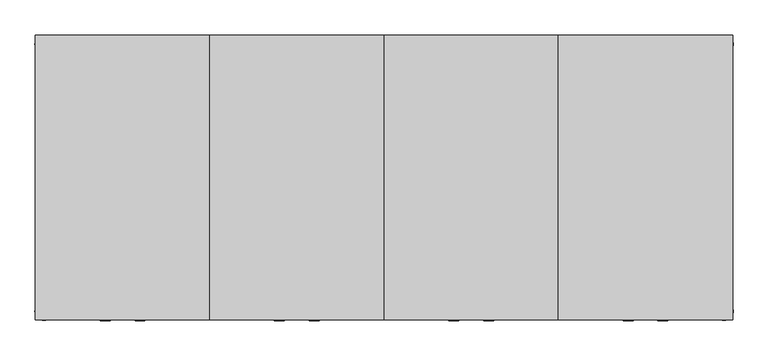
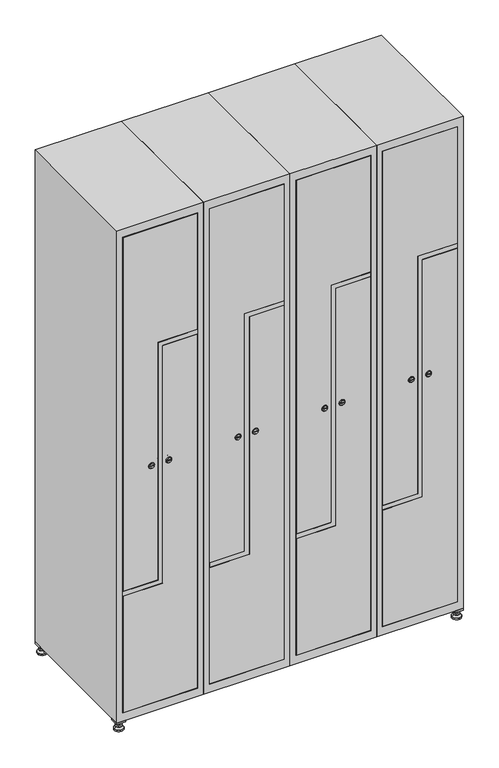
"""IFC4 building model written with IfcOpenShell, lengths in millimetres: furniture geometry."""

from ifc_helpers import new_model, si_unit, point, frame, frame_2d, origin, origin_with_axes, place, context, project, spatial, polyline, circle_curve, trimmed, segment, composite_curve, outline, extrude, faceted_brep, source, transform, mapped, element, save
from ifc_brep_helpers import plane_surface, revolved_surface, advanced_brep


def furniture_bc925662(model_context):
    return source(origin(), model_context, "Body", "SolidModel", [
        extrude(outline(polyline([(1000.0, 245.0), (1000.0, 215.0), (970.0, 215.0), (970.0, 245.0), (1000.0, 245.0)]), holes=[polyline([(998.0, 243.0), (972.0, 243.0), (972.0, 217.0), (998.0, 217.0), (998.0, 243.0)])]), frame((0.0, 0.0, 28.5), z_axis=(0.0, 0.0, 1.0), x_axis=(1.0, 0.0, 0.0)), (0.0, 0.0, 1.0), 6.5),
        extrude(outline(polyline([(970.0, -245.0), (970.0, -215.0), (1000.0, -215.0), (1000.0, -245.0), (970.0, -245.0)]), holes=[polyline([(972.0, -243.0), (998.0, -243.0), (998.0, -217.0), (972.0, -217.0), (972.0, -243.0)])]), frame((0.0, 0.0, 28.5), z_axis=(0.0, 0.0, 1.0), x_axis=(1.0, 0.0, 0.0)), (0.0, 0.0, 1.0), 6.5),
        extrude(outline(polyline([(-170.0, 245.0), (-170.0, 215.0), (-200.0, 215.0), (-200.0, 245.0), (-170.0, 245.0)]), holes=[polyline([(-172.0, 243.0), (-198.0, 243.0), (-198.0, 217.0), (-172.0, 217.0), (-172.0, 243.0)])]), frame((0.0, 0.0, 28.5), z_axis=(0.0, 0.0, 1.0), x_axis=(1.0, 0.0, 0.0)), (0.0, 0.0, 1.0), 6.5),
        extrude(outline(polyline([(-170.0, -215.0), (-170.0, -245.0), (-200.0, -245.0), (-200.0, -215.0), (-170.0, -215.0)]), holes=[polyline([(-198.0, -243.0), (-172.0, -243.0), (-172.0, -217.0), (-198.0, -217.0), (-198.0, -243.0)])]), frame((0.0, 0.0, 28.5), z_axis=(0.0, 0.0, 1.0), x_axis=(1.0, 0.0, 0.0)), (0.0, 0.0, 1.0), 6.5),
        extrude(outline(composite_curve([segment(trimmed(circle_curve(frame_2d((-185.0, 230.0)), 5.0), [point((-180.0, 230.0))], [point((-190.0, 230.0))], False, "CARTESIAN"), True, "CONTINUOUS"), segment(trimmed(circle_curve(frame_2d((-185.0, 230.0)), 5.0), [point((-190.0, 230.0))], [point((-180.0, 230.0))], False, "CARTESIAN"), True, "CONTINUOUS")], self_intersect=False)), frame((0.0, 0.0, 19.6), z_axis=(0.0, 0.0, 1.0), x_axis=(1.0, 0.0, 0.0)), (0.0, 0.0, 1.0), 15.4),
        extrude(outline(composite_curve([segment(trimmed(circle_curve(frame_2d((-185.0, -230.0)), 5.0), [point((-180.0, -230.0))], [point((-190.0, -230.0))], False, "CARTESIAN"), True, "CONTINUOUS"), segment(trimmed(circle_curve(frame_2d((-185.0, -230.0)), 5.0), [point((-190.0, -230.0))], [point((-180.0, -230.0))], False, "CARTESIAN"), True, "CONTINUOUS")], self_intersect=False)), frame((0.0, 0.0, 19.6), z_axis=(0.0, 0.0, 1.0), x_axis=(1.0, 0.0, 0.0)), (0.0, 0.0, 1.0), 15.4),
        extrude(outline(composite_curve([segment(trimmed(circle_curve(frame_2d((985.0, 230.0)), 5.0), [point((990.0, 230.0))], [point((980.0, 230.0))], False, "CARTESIAN"), True, "CONTINUOUS"), segment(trimmed(circle_curve(frame_2d((985.0, 230.0)), 5.0), [point((980.0, 230.0))], [point((990.0, 230.0))], False, "CARTESIAN"), True, "CONTINUOUS")], self_intersect=False)), frame((0.0, 0.0, 19.6), z_axis=(0.0, 0.0, 1.0), x_axis=(1.0, 0.0, 0.0)), (0.0, 0.0, 1.0), 15.4),
        extrude(outline(polyline([(973.4529946, 230.0), (979.2264973, 240.0), (990.7735027, 240.0), (996.5470054, 230.0), (990.7735027, 220.0), (979.2264973, 220.0), (973.4529946, 230.0)])), frame((0.0, 0.0, 13.6), z_axis=(0.0, 0.0, 1.0), x_axis=(1.0, 0.0, 0.0)), (0.0, 0.0, 1.0), 6.0),
        extrude(outline(composite_curve([segment(trimmed(circle_curve(frame_2d((985.0, -230.0)), 5.0), [point((990.0, -230.0))], [point((980.0, -230.0))], False, "CARTESIAN"), True, "CONTINUOUS"), segment(trimmed(circle_curve(frame_2d((985.0, -230.0)), 5.0), [point((980.0, -230.0))], [point((990.0, -230.0))], False, "CARTESIAN"), True, "CONTINUOUS")], self_intersect=False)), frame((0.0, 0.0, 19.6), z_axis=(0.0, 0.0, 1.0), x_axis=(1.0, 0.0, 0.0)), (0.0, 0.0, 1.0), 15.4),
        extrude(outline(polyline([(973.4529946, -230.0), (979.2264973, -220.0), (990.7735027, -220.0), (996.5470054, -230.0), (990.7735027, -240.0), (979.2264973, -240.0), (973.4529946, -230.0)])), frame((0.0, 0.0, 13.6), z_axis=(0.0, 0.0, 1.0), x_axis=(1.0, 0.0, 0.0)), (0.0, 0.0, 1.0), 6.0),
        extrude(outline(composite_curve([segment(trimmed(circle_curve(frame_2d((985.0, 230.0)), 5.0), [point((990.0, 230.0))], [point((980.0, 230.0))], False, "CARTESIAN"), True, "CONTINUOUS"), segment(trimmed(circle_curve(frame_2d((985.0, 230.0)), 5.0), [point((980.0, 230.0))], [point((990.0, 230.0))], False, "CARTESIAN"), True, "CONTINUOUS")], self_intersect=False)), frame((0.0, 0.0, 12.1), z_axis=(0.0, 0.0, 1.0), x_axis=(1.0, 0.0, 0.0)), (0.0, 0.0, 1.0), 1.5),
        extrude(outline(composite_curve([segment(trimmed(circle_curve(frame_2d((985.0, -230.0)), 5.0), [point((990.0, -230.0))], [point((980.0, -230.0))], False, "CARTESIAN"), True, "CONTINUOUS"), segment(trimmed(circle_curve(frame_2d((985.0, -230.0)), 5.0), [point((980.0, -230.0))], [point((990.0, -230.0))], False, "CARTESIAN"), True, "CONTINUOUS")], self_intersect=False)), frame((0.0, 0.0, 12.1), z_axis=(0.0, 0.0, 1.0), x_axis=(1.0, 0.0, 0.0)), (0.0, 0.0, 1.0), 1.5),
        extrude(outline(polyline([(-196.5470054, 230.0), (-190.7735027, 240.0), (-179.2264973, 240.0), (-173.4529946, 230.0), (-179.2264973, 220.0), (-190.7735027, 220.0), (-196.5470054, 230.0)])), frame((0.0, 0.0, 13.6), z_axis=(0.0, 0.0, 1.0), x_axis=(1.0, 0.0, 0.0)), (0.0, 0.0, 1.0), 6.0),
        extrude(outline(polyline([(-196.5470054, -230.0), (-190.7735027, -220.0), (-179.2264973, -220.0), (-173.4529946, -230.0), (-179.2264973, -240.0), (-190.7735027, -240.0), (-196.5470054, -230.0)])), frame((0.0, 0.0, 13.6), z_axis=(0.0, 0.0, 1.0), x_axis=(1.0, 0.0, 0.0)), (0.0, 0.0, 1.0), 6.0),
        extrude(outline(composite_curve([segment(trimmed(circle_curve(frame_2d((-185.0, 230.0)), 5.0), [point((-185.0, 235.0))], [point((-185.0, 225.0))], False, "CARTESIAN"), True, "CONTINUOUS"), segment(trimmed(circle_curve(frame_2d((-185.0, 230.0)), 5.0), [point((-185.0, 225.0))], [point((-185.0, 235.0))], False, "CARTESIAN"), True, "CONTINUOUS")], self_intersect=False)), frame((0.0, 0.0, 12.1), z_axis=(0.0, 0.0, 1.0), x_axis=(1.0, 0.0, 0.0)), (0.0, 0.0, 1.0), 1.5),
        extrude(outline(composite_curve([segment(trimmed(circle_curve(frame_2d((-185.0, -230.0)), 5.0), [point((-180.0, -230.0))], [point((-190.0, -230.0))], False, "CARTESIAN"), True, "CONTINUOUS"), segment(trimmed(circle_curve(frame_2d((-185.0, -230.0)), 5.0), [point((-190.0, -230.0))], [point((-180.0, -230.0))], False, "CARTESIAN"), True, "CONTINUOUS")], self_intersect=False)), frame((0.0, 0.0, 12.1), z_axis=(0.0, 0.0, 1.0), x_axis=(1.0, 0.0, 0.0)), (0.0, 0.0, 1.0), 1.5),
        extrude(outline(composite_curve([segment(trimmed(circle_curve(frame_2d((985.0, 230.0)), 15.75), [point((1000.75, 230.0))], [point((969.25, 230.0))], False, "CARTESIAN"), True, "CONTINUOUS"), segment(trimmed(circle_curve(frame_2d((985.0, 230.0)), 15.75), [point((969.25, 230.0))], [point((1000.75, 230.0))], False, "CARTESIAN"), True, "CONTINUOUS")], self_intersect=False)), origin_with_axes(), (0.0, 0.0, 1.0), 5.1),
        extrude(outline(composite_curve([segment(trimmed(circle_curve(frame_2d((985.0, -230.0)), 15.75), [point((985.0, -214.25))], [point((985.0, -245.75))], False, "CARTESIAN"), True, "CONTINUOUS"), segment(trimmed(circle_curve(frame_2d((985.0, -230.0)), 15.75), [point((985.0, -245.75))], [point((985.0, -214.25))], False, "CARTESIAN"), True, "CONTINUOUS")], self_intersect=False)), origin_with_axes(), (0.0, 0.0, 1.0), 5.1),
        extrude(outline(composite_curve([segment(trimmed(circle_curve(frame_2d((-185.0, -230.0)), 15.75), [point((-169.25, -230.0))], [point((-200.75, -230.0))], False, "CARTESIAN"), True, "CONTINUOUS"), segment(trimmed(circle_curve(frame_2d((-185.0, -230.0)), 15.75), [point((-200.75, -230.0))], [point((-169.25, -230.0))], False, "CARTESIAN"), True, "CONTINUOUS")], self_intersect=False)), origin_with_axes(), (0.0, 0.0, 1.0), 5.1),
        extrude(outline(composite_curve([segment(trimmed(circle_curve(frame_2d((-185.0, 230.0)), 15.75), [point((-169.25, 230.0))], [point((-200.75, 230.0))], False, "CARTESIAN"), True, "CONTINUOUS"), segment(trimmed(circle_curve(frame_2d((-185.0, 230.0)), 15.75), [point((-200.75, 230.0))], [point((-169.25, 230.0))], False, "CARTESIAN"), True, "CONTINUOUS")], self_intersect=False)), origin_with_axes(), (0.0, 0.0, 1.0), 5.1),
        advanced_brep(
        [(-185.0, 245.75, 5.1), (-185.0, 214.25, 5.1), (-185.0, 239.5, 12.1), (-185.0, 220.5, 12.1)],
        [
            (0, 1, circle_curve(frame((-185.0, 230.0, 5.1), z_axis=(0.0, 0.0, -1.0), x_axis=(0.0, 1.0, 0.0)), 15.75)),
            (1, 0, circle_curve(frame((-185.0, 230.0, 5.1), z_axis=(0.0, 0.0, -1.0), x_axis=(0.0, -1.0, 0.0)), 15.75)),
            (2, 3, circle_curve(frame((-185.0, 230.0, 12.1), z_axis=(0.0, 0.0, 1.0), x_axis=(0.0, -1.0, 0.0)), 9.5)),
            (3, 2, circle_curve(frame((-185.0, 230.0, 12.1), z_axis=(0.0, 0.0, 1.0), x_axis=(0.0, 1.0, 0.0)), 9.5)),
            (3, 1),
            (0, 2),
        ],
        [
            plane_surface(frame((-185.0, 230.0, 5.1), z_axis=(0.0, 0.0, -1.0), x_axis=(1.0, 0.0, 0.0))),
            plane_surface(frame((-185.0, 230.0, 12.1), z_axis=(0.0, 0.0, 1.0), x_axis=(1.0, 0.0, 0.0))),
            revolved_surface(polyline([(-185.0, 220.5, 12.099999999999998), (-185.0, 214.25, 5.099999999999998)]), (-185.0, 230.0, 22.74), (0.0, 0.0, -1.0)),
            revolved_surface(polyline([(-185.0, 239.5, 12.099999999999998), (-185.0, 245.75, 5.099999999999998)]), (-185.0, 230.0, 22.74), (0.0, 0.0, -1.0)),
        ],
        [
            (0, [[1, 2]]),
            (1, [[3, 4]]),
            (2, [[-4, 5, -1, 6]]),
            (3, [[-3, -6, -2, -5]]),
        ],
    ),
        advanced_brep(
        [(985.0, 245.75, 5.1), (985.0, 214.25, 5.1), (985.0, 239.5, 12.1), (985.0, 220.5, 12.1)],
        [
            (0, 1, circle_curve(frame((985.0, 230.0, 5.1), z_axis=(0.0, 0.0, -1.0), x_axis=(0.0, 1.0, 0.0)), 15.75)),
            (1, 0, circle_curve(frame((985.0, 230.0, 5.1), z_axis=(0.0, 0.0, -1.0), x_axis=(0.0, -1.0, 0.0)), 15.75)),
            (2, 3, circle_curve(frame((985.0, 230.0, 12.1), z_axis=(0.0, 0.0, 1.0), x_axis=(0.0, -1.0, 0.0)), 9.5)),
            (3, 2, circle_curve(frame((985.0, 230.0, 12.1), z_axis=(0.0, 0.0, 1.0), x_axis=(0.0, 1.0, 0.0)), 9.5)),
            (3, 1),
            (0, 2),
        ],
        [
            plane_surface(frame((985.0, 230.0, 5.1), z_axis=(0.0, 0.0, -1.0), x_axis=(1.0, 0.0, 0.0))),
            plane_surface(frame((985.0, 230.0, 12.1), z_axis=(0.0, 0.0, 1.0), x_axis=(1.0, 0.0, 0.0))),
            revolved_surface(polyline([(985.0, 220.5, 12.099999999999998), (985.0, 214.25, 5.099999999999998)]), (985.0, 230.0, 22.74), (0.0, 0.0, -1.0)),
            revolved_surface(polyline([(985.0, 239.5, 12.099999999999998), (985.0, 245.75, 5.099999999999998)]), (985.0, 230.0, 22.74), (0.0, 0.0, -1.0)),
        ],
        [
            (0, [[1, 2]]),
            (1, [[3, 4]]),
            (2, [[-4, 5, -1, 6]]),
            (3, [[-3, -6, -2, -5]]),
        ],
    ),
        advanced_brep(
        [(994.5, -230.0, 12.1), (975.5, -230.0, 12.1), (1000.75, -230.0, 5.1), (969.25, -230.0, 5.1)],
        [
            (0, 1, circle_curve(frame((985.0, -230.0, 12.1), z_axis=(0.0, 0.0, 1.0), x_axis=(1.0, 0.0, 0.0)), 9.5)),
            (1, 0, circle_curve(frame((985.0, -230.0, 12.1), z_axis=(0.0, 0.0, 1.0), x_axis=(-1.0, 0.0, 0.0)), 9.5)),
            (2, 3, circle_curve(frame((985.0, -230.0, 5.1), z_axis=(0.0, 0.0, -1.0), x_axis=(-1.0, 0.0, 0.0)), 15.75)),
            (3, 2, circle_curve(frame((985.0, -230.0, 5.1), z_axis=(0.0, 0.0, -1.0), x_axis=(1.0, 0.0, 0.0)), 15.75)),
            (3, 1),
            (0, 2),
        ],
        [
            plane_surface(frame((985.0, -230.0, 12.1), z_axis=(0.0, 0.0, 1.0), x_axis=(0.0, 1.0, 0.0))),
            plane_surface(frame((985.0, -230.0, 5.1), z_axis=(0.0, 0.0, -1.0), x_axis=(0.0, 1.0, 0.0))),
            revolved_surface(polyline([(994.5, -230.0, 12.099999999999998), (1000.75, -230.0, 5.099999999999998)]), (985.0, -230.0, 22.74), (0.0, 0.0, -1.0)),
            revolved_surface(polyline([(975.5, -230.0, 12.099999999999998), (969.25, -230.0, 5.099999999999998)]), (985.0, -230.0, 22.74), (0.0, 0.0, -1.0)),
        ],
        [
            (0, [[1, 2]]),
            (1, [[3, 4]]),
            (2, [[-4, 5, -1, 6]]),
            (3, [[-3, -6, -2, -5]]),
        ],
    ),
        advanced_brep(
        [(-175.5, -230.0, 12.1), (-194.5, -230.0, 12.1), (-169.25, -230.0, 5.1), (-200.75, -230.0, 5.1)],
        [
            (0, 1, circle_curve(frame((-185.0, -230.0, 12.1), z_axis=(0.0, 0.0, 1.0), x_axis=(1.0, 0.0, 0.0)), 9.5)),
            (1, 0, circle_curve(frame((-185.0, -230.0, 12.1), z_axis=(0.0, 0.0, 1.0), x_axis=(-1.0, 0.0, 0.0)), 9.5)),
            (2, 3, circle_curve(frame((-185.0, -230.0, 5.1), z_axis=(0.0, 0.0, -1.0), x_axis=(-1.0, 0.0, 0.0)), 15.75)),
            (3, 2, circle_curve(frame((-185.0, -230.0, 5.1), z_axis=(0.0, 0.0, -1.0), x_axis=(1.0, 0.0, 0.0)), 15.75)),
            (3, 1),
            (0, 2),
        ],
        [
            plane_surface(frame((-185.0, -230.0, 12.1), z_axis=(0.0, 0.0, 1.0), x_axis=(0.0, 1.0, 0.0))),
            plane_surface(frame((-185.0, -230.0, 5.1), z_axis=(0.0, 0.0, -1.0), x_axis=(0.0, 1.0, 0.0))),
            revolved_surface(polyline([(-175.5, -230.0, 12.099999999999998), (-169.25, -230.0, 5.099999999999998)]), (-185.0, -230.0, 22.74), (0.0, 0.0, -1.0)),
            revolved_surface(polyline([(-194.5, -230.0, 12.099999999999998), (-200.75, -230.0, 5.099999999999998)]), (-185.0, -230.0, 22.74), (0.0, 0.0, -1.0)),
        ],
        [
            (0, [[1, 2]]),
            (1, [[3, 4]]),
            (2, [[-4, 5, -1, 6]]),
            (3, [[-3, -6, -2, -5]]),
        ],
    ),
        extrude(outline(composite_curve([segment(trimmed(circle_curve(frame_2d((935.0, 846.7989466)), 7.0), [point((928.0, 846.7989466))], [point((942.0, 846.7989466))], False, "CARTESIAN"), True, "CONTINUOUS"), segment(polyline([(942.0, 846.7989466), (942.0, 818.7989466)]), True, "CONTINUOUS"), segment(trimmed(circle_curve(frame_2d((935.0, 818.7989466)), 7.0), [point((942.0, 818.7989466))], [point((928.0, 818.7989466))], False, "CARTESIAN"), True, "CONTINUOUS"), segment(polyline([(928.0, 818.7989466), (928.0, 846.7989466)]), True, "CONTINUOUS")], self_intersect=False)), frame((0.0, -227.0, 0.0), z_axis=(0.0, 1.0, 0.0), x_axis=(0.0, 0.0, 1.0)), (0.0, 0.0, 1.0), 2.0),
        advanced_brep(
        [(811.5, -247.2, 935.0), (828.5, -247.2, 935.0), (825.0, -247.2, 936.25), (825.0, -247.2, 933.75), (815.0, -247.2, 933.75), (815.0, -247.2, 936.25), (809.5, -245.0, 935.0), (830.5, -245.0, 935.0), (825.0, -245.0, 933.75), (825.0, -245.0, 936.25), (815.0, -245.0, 936.25), (815.0, -245.0, 933.75)],
        [
            (0, 1, circle_curve(frame((820.0, -247.2, 935.0), z_axis=(0.0, -1.0, 0.0), x_axis=(-1.0, 0.0, 0.0)), 8.5)),
            (1, 0, circle_curve(frame((820.0, -247.2, 935.0), z_axis=(0.0, -1.0, 0.0), x_axis=(1.0, 0.0, 0.0)), 8.5)),
            (2, 3),
            (3, 4),
            (4, 5),
            (5, 2),
            (6, 7, circle_curve(frame((820.0, -245.0, 935.0), z_axis=(0.0, 1.0, 0.0), x_axis=(1.0, 0.0, 0.0)), 10.5)),
            (7, 6, circle_curve(frame((820.0, -245.0, 935.0), z_axis=(0.0, 1.0, 0.0), x_axis=(-1.0, 0.0, 0.0)), 10.5)),
            (8, 9),
            (9, 10),
            (10, 11),
            (11, 8),
            (0, 6),
            (7, 1),
            (8, 3),
            (2, 9),
            (11, 4),
            (10, 5),
        ],
        [
            plane_surface(frame((820.0, -247.2, 935.0), z_axis=(0.0, -1.0, 0.0), x_axis=(0.0, 0.0, -1.0))),
            plane_surface(frame((820.0, -245.0, 935.0), z_axis=(0.0, 1.0, 0.0), x_axis=(0.0, 0.0, -1.0))),
            revolved_surface(polyline([(811.5, -247.2, 935.0), (809.5, -245.0, 935.0)]), (820.0, -256.55, 935.0), (0.0, 1.0, 0.0)),
            revolved_surface(polyline([(828.5, -247.2, 935.0), (830.5, -245.0, 935.0)]), (820.0, -256.55, 935.0), (0.0, 1.0, 0.0)),
            plane_surface(frame((825.0, -245.0, 936.25), z_axis=(-1.0, 0.0, 0.0), x_axis=(0.0, -1.0, 0.0))),
            plane_surface(frame((825.0, -245.0, 933.75), z_axis=(0.0, 0.0, 1.0), x_axis=(0.0, -1.0, 0.0))),
            plane_surface(frame((815.0, -245.0, 933.75), z_axis=(1.0, 0.0, 0.0), x_axis=(0.0, -1.0, 0.0))),
            plane_surface(frame((815.0, -245.0, 936.25), z_axis=(0.0, 0.0, -1.0), x_axis=(0.0, -1.0, 0.0))),
        ],
        [
            (0, [[1, 2], [3, 4, 5, 6]]),
            (1, [[7, 8], [9, 10, 11, 12]]),
            (2, [[-1, 13, -8, 14]]),
            (3, [[-2, -14, -7, -13]]),
            (4, [[15, -3, 16, -9]]),
            (5, [[-15, -12, 17, -4]]),
            (6, [[-17, -11, 18, -5]]),
            (7, [[-16, -6, -18, -10]]),
        ],
    ),
        extrude(outline(polyline([(1803.8, 721.4), (509.6, 721.4), (509.6, 841.0), (1378.4, 841.0), (1378.4, 978.6), (1803.8, 978.6), (1803.8, 721.4)])), frame((0.0, -245.0, 0.0), z_axis=(0.0, 1.0, 0.0), x_axis=(0.0, 0.0, 1.0)), (0.0, 0.0, 1.0), 18.0),
        extrude(outline(composite_curve([segment(trimmed(circle_curve(frame_2d((935.0, 853.2010534)), 7.0), [point((942.0, 853.2010534))], [point((928.0, 853.2010534))], False, "CARTESIAN"), True, "CONTINUOUS"), segment(polyline([(928.0, 853.2010534), (928.0, 881.2010534)]), True, "CONTINUOUS"), segment(trimmed(circle_curve(frame_2d((935.0, 881.2010534)), 7.0), [point((928.0, 881.2010534))], [point((942.0, 881.2010534))], False, "CARTESIAN"), True, "CONTINUOUS"), segment(polyline([(942.0, 881.2010534), (942.0, 853.2010534)]), True, "CONTINUOUS")], self_intersect=False)), frame((0.0, -227.0, 0.0), z_axis=(0.0, 1.0, 0.0), x_axis=(0.0, 0.0, 1.0)), (0.0, 0.0, 1.0), 2.0),
        advanced_brep(
        [(888.5, -247.2, 935.0), (871.5, -247.2, 935.0), (875.0, -247.2, 933.75), (875.0, -247.2, 936.25), (885.0, -247.2, 936.25), (885.0, -247.2, 933.75), (890.5, -245.0, 935.0), (869.5, -245.0, 935.0), (875.0, -245.0, 936.25), (875.0, -245.0, 933.75), (885.0, -245.0, 933.75), (885.0, -245.0, 936.25)],
        [
            (0, 1, circle_curve(frame((880.0, -247.2, 935.0), z_axis=(0.0, -1.0, 0.0), x_axis=(1.0, 0.0, 0.0)), 8.5)),
            (1, 0, circle_curve(frame((880.0, -247.2, 935.0), z_axis=(0.0, -1.0, 0.0), x_axis=(-1.0, 0.0, 0.0)), 8.5)),
            (2, 3),
            (3, 4),
            (4, 5),
            (5, 2),
            (6, 7, circle_curve(frame((880.0, -245.0, 935.0), z_axis=(0.0, 1.0, 0.0), x_axis=(-1.0, 0.0, 0.0)), 10.5)),
            (7, 6, circle_curve(frame((880.0, -245.0, 935.0), z_axis=(0.0, 1.0, 0.0), x_axis=(1.0, 0.0, 0.0)), 10.5)),
            (8, 9),
            (9, 10),
            (10, 11),
            (11, 8),
            (0, 6),
            (7, 1),
            (8, 3),
            (2, 9),
            (11, 4),
            (10, 5),
        ],
        [
            plane_surface(frame((880.0, -247.2, 935.0), z_axis=(0.0, -1.0, 0.0), x_axis=(0.0, 0.0, 1.0))),
            plane_surface(frame((880.0, -245.0, 935.0), z_axis=(0.0, 1.0, 0.0), x_axis=(0.0, 0.0, 1.0))),
            revolved_surface(polyline([(888.5, -247.2, 935.0), (890.5, -245.0, 935.0)]), (880.0, -256.55, 935.0), (0.0, 1.0, 0.0)),
            revolved_surface(polyline([(871.5, -247.2, 935.0), (869.5, -245.0, 935.0)]), (880.0, -256.55, 935.0), (0.0, 1.0, 0.0)),
            plane_surface(frame((875.0, -245.0, 933.75), z_axis=(1.0, 0.0, 0.0), x_axis=(0.0, -1.0, 0.0))),
            plane_surface(frame((875.0, -245.0, 936.25), z_axis=(0.0, 0.0, -1.0), x_axis=(0.0, -1.0, 0.0))),
            plane_surface(frame((885.0, -245.0, 936.25), z_axis=(-1.0, 0.0, 0.0), x_axis=(0.0, -1.0, 0.0))),
            plane_surface(frame((885.0, -245.0, 933.75), z_axis=(0.0, 0.0, 1.0), x_axis=(0.0, -1.0, 0.0))),
        ],
        [
            (0, [[1, 2], [3, 4, 5, 6]]),
            (1, [[7, 8], [9, 10, 11, 12]]),
            (2, [[-1, 13, -8, 14]]),
            (3, [[-2, -14, -7, -13]]),
            (4, [[15, -3, 16, -9]]),
            (5, [[-15, -12, 17, -4]]),
            (6, [[-17, -11, 18, -5]]),
            (7, [[-16, -6, -18, -10]]),
        ],
    ),
        extrude(outline(polyline([(66.2, 978.6), (1360.4, 978.6), (1360.4, 859.0), (491.6, 859.0), (491.6, 721.4), (66.2, 721.4), (66.2, 978.6)])), frame((0.0, -245.0, 0.0), z_axis=(0.0, 1.0, 0.0), x_axis=(0.0, 0.0, 1.0)), (0.0, 0.0, 1.0), 18.0),
        extrude(outline(polyline([(1361.4, 979.6), (1377.4, 979.6), (1377.4, 842.0), (508.6, 842.0), (508.6, 720.4), (492.6, 720.4), (492.6, 858.0), (1361.4, 858.0), (1361.4, 979.6)])), frame((0.0, -245.0, 0.0), z_axis=(0.0, 1.0, 0.0), x_axis=(0.0, 0.0, 1.0)), (0.0, 0.0, 1.0), 487.0),
        faceted_brep([(1000.0, -245.0, 35.0), (1000.0, -245.0, 1835.0), (700.0, -245.0, 1835.0), (700.0, -245.0, 35.0), (979.6, -245.0, 1804.8), (979.6, -245.0, 65.2), (720.4, -245.0, 65.2), (720.4, -245.0, 1804.8), (1000.0, 245.0, 35.0), (700.0, 245.0, 35.0), (1000.0, 245.0, 1835.0), (700.0, 245.0, 1835.0), (979.6, 242.0, 1804.8), (979.6, 242.0, 65.2), (700.0, 245.0, 1804.8), (720.4, 242.0, 1804.8), (720.4, 242.0, 65.2)], [[[0, 1, 2, 3], [4, 5, 6, 7]], [[8, 0, 3, 9]], [[1, 0, 8, 10]], [[1, 10, 11, 2]], [[4, 12, 13, 5]], [[9, 3, 2, 11, 14]], [[10, 8, 9, 14, 11]], [[12, 15, 16, 13]], [[15, 7, 6, 16]], [[4, 7, 15, 12]], [[6, 5, 13, 16]]]),
        extrude(outline(composite_curve([segment(trimmed(circle_curve(frame_2d((935.0, 546.7989466)), 7.0), [point((928.0, 546.7989466))], [point((942.0, 546.7989466))], False, "CARTESIAN"), True, "CONTINUOUS"), segment(polyline([(942.0, 546.7989466), (942.0, 518.7989466)]), True, "CONTINUOUS"), segment(trimmed(circle_curve(frame_2d((935.0, 518.7989466)), 7.0), [point((942.0, 518.7989466))], [point((928.0, 518.7989466))], False, "CARTESIAN"), True, "CONTINUOUS"), segment(polyline([(928.0, 518.7989466), (928.0, 546.7989466)]), True, "CONTINUOUS")], self_intersect=False)), frame((0.0, -227.0, 0.0), z_axis=(0.0, 1.0, 0.0), x_axis=(0.0, 0.0, 1.0)), (0.0, 0.0, 1.0), 2.0),
        advanced_brep(
        [(511.5, -247.2, 935.0), (528.5, -247.2, 935.0), (525.0, -247.2, 936.25), (525.0, -247.2, 933.75), (515.0, -247.2, 933.75), (515.0, -247.2, 936.25), (509.5, -245.0, 935.0), (530.5, -245.0, 935.0), (525.0, -245.0, 933.75), (525.0, -245.0, 936.25), (515.0, -245.0, 936.25), (515.0, -245.0, 933.75)],
        [
            (0, 1, circle_curve(frame((520.0, -247.2, 935.0), z_axis=(0.0, -1.0, 0.0), x_axis=(-1.0, 0.0, 0.0)), 8.5)),
            (1, 0, circle_curve(frame((520.0, -247.2, 935.0), z_axis=(0.0, -1.0, 0.0), x_axis=(1.0, 0.0, 0.0)), 8.5)),
            (2, 3),
            (3, 4),
            (4, 5),
            (5, 2),
            (6, 7, circle_curve(frame((520.0, -245.0, 935.0), z_axis=(0.0, 1.0, 0.0), x_axis=(1.0, 0.0, 0.0)), 10.5)),
            (7, 6, circle_curve(frame((520.0, -245.0, 935.0), z_axis=(0.0, 1.0, 0.0), x_axis=(-1.0, 0.0, 0.0)), 10.5)),
            (8, 9),
            (9, 10),
            (10, 11),
            (11, 8),
            (0, 6),
            (7, 1),
            (8, 3),
            (2, 9),
            (11, 4),
            (10, 5),
        ],
        [
            plane_surface(frame((520.0, -247.2, 935.0), z_axis=(0.0, -1.0, 0.0), x_axis=(0.0, 0.0, -1.0))),
            plane_surface(frame((520.0, -245.0, 935.0), z_axis=(0.0, 1.0, 0.0), x_axis=(0.0, 0.0, -1.0))),
            revolved_surface(polyline([(511.5, -247.2, 935.0), (509.5, -245.0, 935.0)]), (520.0, -256.55, 935.0), (0.0, 1.0, 0.0)),
            revolved_surface(polyline([(528.5, -247.2, 935.0), (530.5, -245.0, 935.0)]), (520.0, -256.55, 935.0), (0.0, 1.0, 0.0)),
            plane_surface(frame((525.0, -245.0, 936.25), z_axis=(-1.0, 0.0, 0.0), x_axis=(0.0, -1.0, 0.0))),
            plane_surface(frame((525.0, -245.0, 933.75), z_axis=(0.0, 0.0, 1.0), x_axis=(0.0, -1.0, 0.0))),
            plane_surface(frame((515.0, -245.0, 933.75), z_axis=(1.0, 0.0, 0.0), x_axis=(0.0, -1.0, 0.0))),
            plane_surface(frame((515.0, -245.0, 936.25), z_axis=(0.0, 0.0, -1.0), x_axis=(0.0, -1.0, 0.0))),
        ],
        [
            (0, [[1, 2], [3, 4, 5, 6]]),
            (1, [[7, 8], [9, 10, 11, 12]]),
            (2, [[-1, 13, -8, 14]]),
            (3, [[-2, -14, -7, -13]]),
            (4, [[15, -3, 16, -9]]),
            (5, [[-15, -12, 17, -4]]),
            (6, [[-17, -11, 18, -5]]),
            (7, [[-16, -6, -18, -10]]),
        ],
    ),
        extrude(outline(polyline([(1803.8, 421.4), (509.6, 421.4), (509.6, 541.0), (1378.4, 541.0), (1378.4, 678.6), (1803.8, 678.6), (1803.8, 421.4)])), frame((0.0, -245.0, 0.0), z_axis=(0.0, 1.0, 0.0), x_axis=(0.0, 0.0, 1.0)), (0.0, 0.0, 1.0), 18.0),
        extrude(outline(composite_curve([segment(trimmed(circle_curve(frame_2d((935.0, 553.2010534)), 7.0), [point((942.0, 553.2010534))], [point((928.0, 553.2010534))], False, "CARTESIAN"), True, "CONTINUOUS"), segment(polyline([(928.0, 553.2010534), (928.0, 581.2010534)]), True, "CONTINUOUS"), segment(trimmed(circle_curve(frame_2d((935.0, 581.2010534)), 7.0), [point((928.0, 581.2010534))], [point((942.0, 581.2010534))], False, "CARTESIAN"), True, "CONTINUOUS"), segment(polyline([(942.0, 581.2010534), (942.0, 553.2010534)]), True, "CONTINUOUS")], self_intersect=False)), frame((0.0, -227.0, 0.0), z_axis=(0.0, 1.0, 0.0), x_axis=(0.0, 0.0, 1.0)), (0.0, 0.0, 1.0), 2.0),
        advanced_brep(
        [(588.5, -247.2, 935.0), (571.5, -247.2, 935.0), (575.0, -247.2, 933.75), (575.0, -247.2, 936.25), (585.0, -247.2, 936.25), (585.0, -247.2, 933.75), (590.5, -245.0, 935.0), (569.5, -245.0, 935.0), (575.0, -245.0, 936.25), (575.0, -245.0, 933.75), (585.0, -245.0, 933.75), (585.0, -245.0, 936.25)],
        [
            (0, 1, circle_curve(frame((580.0, -247.2, 935.0), z_axis=(0.0, -1.0, 0.0), x_axis=(1.0, 0.0, 0.0)), 8.5)),
            (1, 0, circle_curve(frame((580.0, -247.2, 935.0), z_axis=(0.0, -1.0, 0.0), x_axis=(-1.0, 0.0, 0.0)), 8.5)),
            (2, 3),
            (3, 4),
            (4, 5),
            (5, 2),
            (6, 7, circle_curve(frame((580.0, -245.0, 935.0), z_axis=(0.0, 1.0, 0.0), x_axis=(-1.0, 0.0, 0.0)), 10.5)),
            (7, 6, circle_curve(frame((580.0, -245.0, 935.0), z_axis=(0.0, 1.0, 0.0), x_axis=(1.0, 0.0, 0.0)), 10.5)),
            (8, 9),
            (9, 10),
            (10, 11),
            (11, 8),
            (0, 6),
            (7, 1),
            (8, 3),
            (2, 9),
            (11, 4),
            (10, 5),
        ],
        [
            plane_surface(frame((580.0, -247.2, 935.0), z_axis=(0.0, -1.0, 0.0), x_axis=(0.0, 0.0, 1.0))),
            plane_surface(frame((580.0, -245.0, 935.0), z_axis=(0.0, 1.0, 0.0), x_axis=(0.0, 0.0, 1.0))),
            revolved_surface(polyline([(588.5, -247.2, 935.0), (590.5, -245.0, 935.0)]), (580.0, -256.55, 935.0), (0.0, 1.0, 0.0)),
            revolved_surface(polyline([(571.5, -247.2, 935.0), (569.5, -245.0, 935.0)]), (580.0, -256.55, 935.0), (0.0, 1.0, 0.0)),
            plane_surface(frame((575.0, -245.0, 933.75), z_axis=(1.0, 0.0, 0.0), x_axis=(0.0, -1.0, 0.0))),
            plane_surface(frame((575.0, -245.0, 936.25), z_axis=(0.0, 0.0, -1.0), x_axis=(0.0, -1.0, 0.0))),
            plane_surface(frame((585.0, -245.0, 936.25), z_axis=(-1.0, 0.0, 0.0), x_axis=(0.0, -1.0, 0.0))),
            plane_surface(frame((585.0, -245.0, 933.75), z_axis=(0.0, 0.0, 1.0), x_axis=(0.0, -1.0, 0.0))),
        ],
        [
            (0, [[1, 2], [3, 4, 5, 6]]),
            (1, [[7, 8], [9, 10, 11, 12]]),
            (2, [[-1, 13, -8, 14]]),
            (3, [[-2, -14, -7, -13]]),
            (4, [[15, -3, 16, -9]]),
            (5, [[-15, -12, 17, -4]]),
            (6, [[-17, -11, 18, -5]]),
            (7, [[-16, -6, -18, -10]]),
        ],
    ),
        extrude(outline(polyline([(66.2, 678.6), (1360.4, 678.6), (1360.4, 559.0), (491.6, 559.0), (491.6, 421.4), (66.2, 421.4), (66.2, 678.6)])), frame((0.0, -245.0, 0.0), z_axis=(0.0, 1.0, 0.0), x_axis=(0.0, 0.0, 1.0)), (0.0, 0.0, 1.0), 18.0),
        extrude(outline(polyline([(1361.4, 679.6), (1377.4, 679.6), (1377.4, 542.0), (508.6, 542.0), (508.6, 420.4), (492.6, 420.4), (492.6, 558.0), (1361.4, 558.0), (1361.4, 679.6)])), frame((0.0, -245.0, 0.0), z_axis=(0.0, 1.0, 0.0), x_axis=(0.0, 0.0, 1.0)), (0.0, 0.0, 1.0), 487.0),
        faceted_brep([(700.0, -245.0, 35.0), (700.0, -245.0, 1835.0), (400.0, -245.0, 1835.0), (400.0, -245.0, 35.0), (679.6, -245.0, 1804.8), (679.6, -245.0, 65.2), (420.4, -245.0, 65.2), (420.4, -245.0, 1804.8), (700.0, 245.0, 35.0), (400.0, 245.0, 35.0), (700.0, 245.0, 1835.0), (400.0, 245.0, 1835.0), (679.6, 242.0, 1804.8), (679.6, 242.0, 65.2), (400.0, 245.0, 1804.8), (420.4, 242.0, 1804.8), (420.4, 242.0, 65.2)], [[[0, 1, 2, 3], [4, 5, 6, 7]], [[8, 0, 3, 9]], [[1, 0, 8, 10]], [[1, 10, 11, 2]], [[4, 12, 13, 5]], [[9, 3, 2, 11, 14]], [[10, 8, 9, 14, 11]], [[12, 15, 16, 13]], [[15, 7, 6, 16]], [[4, 7, 15, 12]], [[6, 5, 13, 16]]]),
        extrude(outline(composite_curve([segment(trimmed(circle_curve(frame_2d((935.0, 246.7989466)), 7.0), [point((928.0, 246.7989466))], [point((942.0, 246.7989466))], False, "CARTESIAN"), True, "CONTINUOUS"), segment(polyline([(942.0, 246.7989466), (942.0, 218.7989466)]), True, "CONTINUOUS"), segment(trimmed(circle_curve(frame_2d((935.0, 218.7989466)), 7.0), [point((942.0, 218.7989466))], [point((928.0, 218.7989466))], False, "CARTESIAN"), True, "CONTINUOUS"), segment(polyline([(928.0, 218.7989466), (928.0, 246.7989466)]), True, "CONTINUOUS")], self_intersect=False)), frame((0.0, -227.0, 0.0), z_axis=(0.0, 1.0, 0.0), x_axis=(0.0, 0.0, 1.0)), (0.0, 0.0, 1.0), 2.0),
        advanced_brep(
        [(211.5, -247.2, 935.0), (228.5, -247.2, 935.0), (225.0, -247.2, 936.25), (225.0, -247.2, 933.75), (215.0, -247.2, 933.75), (215.0, -247.2, 936.25), (209.5, -245.0, 935.0), (230.5, -245.0, 935.0), (225.0, -245.0, 933.75), (225.0, -245.0, 936.25), (215.0, -245.0, 936.25), (215.0, -245.0, 933.75)],
        [
            (0, 1, circle_curve(frame((220.0, -247.2, 935.0), z_axis=(0.0, -1.0, 0.0), x_axis=(-1.0, 0.0, 0.0)), 8.5)),
            (1, 0, circle_curve(frame((220.0, -247.2, 935.0), z_axis=(0.0, -1.0, 0.0), x_axis=(1.0, 0.0, 0.0)), 8.5)),
            (2, 3),
            (3, 4),
            (4, 5),
            (5, 2),
            (6, 7, circle_curve(frame((220.0, -245.0, 935.0), z_axis=(0.0, 1.0, 0.0), x_axis=(1.0, 0.0, 0.0)), 10.5)),
            (7, 6, circle_curve(frame((220.0, -245.0, 935.0), z_axis=(0.0, 1.0, 0.0), x_axis=(-1.0, 0.0, 0.0)), 10.5)),
            (8, 9),
            (9, 10),
            (10, 11),
            (11, 8),
            (0, 6),
            (7, 1),
            (8, 3),
            (2, 9),
            (11, 4),
            (10, 5),
        ],
        [
            plane_surface(frame((220.0, -247.2, 935.0), z_axis=(0.0, -1.0, 0.0), x_axis=(0.0, 0.0, -1.0))),
            plane_surface(frame((220.0, -245.0, 935.0), z_axis=(0.0, 1.0, 0.0), x_axis=(0.0, 0.0, -1.0))),
            revolved_surface(polyline([(211.5, -247.2, 935.0), (209.5, -245.0, 935.0)]), (220.0, -256.55, 935.0), (0.0, 1.0, 0.0)),
            revolved_surface(polyline([(228.5, -247.2, 935.0), (230.5, -245.0, 935.0)]), (220.0, -256.55, 935.0), (0.0, 1.0, 0.0)),
            plane_surface(frame((225.0, -245.0, 936.25), z_axis=(-1.0, 0.0, 0.0), x_axis=(0.0, -1.0, 0.0))),
            plane_surface(frame((225.0, -245.0, 933.75), z_axis=(0.0, 0.0, 1.0), x_axis=(0.0, -1.0, 0.0))),
            plane_surface(frame((215.0, -245.0, 933.75), z_axis=(1.0, 0.0, 0.0), x_axis=(0.0, -1.0, 0.0))),
            plane_surface(frame((215.0, -245.0, 936.25), z_axis=(0.0, 0.0, -1.0), x_axis=(0.0, -1.0, 0.0))),
        ],
        [
            (0, [[1, 2], [3, 4, 5, 6]]),
            (1, [[7, 8], [9, 10, 11, 12]]),
            (2, [[-1, 13, -8, 14]]),
            (3, [[-2, -14, -7, -13]]),
            (4, [[15, -3, 16, -9]]),
            (5, [[-15, -12, 17, -4]]),
            (6, [[-17, -11, 18, -5]]),
            (7, [[-16, -6, -18, -10]]),
        ],
    ),
        extrude(outline(polyline([(1803.8, 121.4), (509.6, 121.4), (509.6, 241.0), (1378.4, 241.0), (1378.4, 378.6), (1803.8, 378.6), (1803.8, 121.4)])), frame((0.0, -245.0, 0.0), z_axis=(0.0, 1.0, 0.0), x_axis=(0.0, 0.0, 1.0)), (0.0, 0.0, 1.0), 18.0),
        extrude(outline(composite_curve([segment(trimmed(circle_curve(frame_2d((935.0, 253.2010534)), 7.0), [point((942.0, 253.2010534))], [point((928.0, 253.2010534))], False, "CARTESIAN"), True, "CONTINUOUS"), segment(polyline([(928.0, 253.2010534), (928.0, 281.2010534)]), True, "CONTINUOUS"), segment(trimmed(circle_curve(frame_2d((935.0, 281.2010534)), 7.0), [point((928.0, 281.2010534))], [point((942.0, 281.2010534))], False, "CARTESIAN"), True, "CONTINUOUS"), segment(polyline([(942.0, 281.2010534), (942.0, 253.2010534)]), True, "CONTINUOUS")], self_intersect=False)), frame((0.0, -227.0, 0.0), z_axis=(0.0, 1.0, 0.0), x_axis=(0.0, 0.0, 1.0)), (0.0, 0.0, 1.0), 2.0),
        advanced_brep(
        [(288.5, -247.2, 935.0), (271.5, -247.2, 935.0), (275.0, -247.2, 933.75), (275.0, -247.2, 936.25), (285.0, -247.2, 936.25), (285.0, -247.2, 933.75), (290.5, -245.0, 935.0), (269.5, -245.0, 935.0), (275.0, -245.0, 936.25), (275.0, -245.0, 933.75), (285.0, -245.0, 933.75), (285.0, -245.0, 936.25)],
        [
            (0, 1, circle_curve(frame((280.0, -247.2, 935.0), z_axis=(0.0, -1.0, 0.0), x_axis=(1.0, 0.0, 0.0)), 8.5)),
            (1, 0, circle_curve(frame((280.0, -247.2, 935.0), z_axis=(0.0, -1.0, 0.0), x_axis=(-1.0, 0.0, 0.0)), 8.5)),
            (2, 3),
            (3, 4),
            (4, 5),
            (5, 2),
            (6, 7, circle_curve(frame((280.0, -245.0, 935.0), z_axis=(0.0, 1.0, 0.0), x_axis=(-1.0, 0.0, 0.0)), 10.5)),
            (7, 6, circle_curve(frame((280.0, -245.0, 935.0), z_axis=(0.0, 1.0, 0.0), x_axis=(1.0, 0.0, 0.0)), 10.5)),
            (8, 9),
            (9, 10),
            (10, 11),
            (11, 8),
            (0, 6),
            (7, 1),
            (8, 3),
            (2, 9),
            (11, 4),
            (10, 5),
        ],
        [
            plane_surface(frame((280.0, -247.2, 935.0), z_axis=(0.0, -1.0, 0.0), x_axis=(0.0, 0.0, 1.0))),
            plane_surface(frame((280.0, -245.0, 935.0), z_axis=(0.0, 1.0, 0.0), x_axis=(0.0, 0.0, 1.0))),
            revolved_surface(polyline([(288.5, -247.2, 935.0), (290.5, -245.0, 935.0)]), (280.0, -256.55, 935.0), (0.0, 1.0, 0.0)),
            revolved_surface(polyline([(271.5, -247.2, 935.0), (269.5, -245.0, 935.0)]), (280.0, -256.55, 935.0), (0.0, 1.0, 0.0)),
            plane_surface(frame((275.0, -245.0, 933.75), z_axis=(1.0, 0.0, 0.0), x_axis=(0.0, -1.0, 0.0))),
            plane_surface(frame((275.0, -245.0, 936.25), z_axis=(0.0, 0.0, -1.0), x_axis=(0.0, -1.0, 0.0))),
            plane_surface(frame((285.0, -245.0, 936.25), z_axis=(-1.0, 0.0, 0.0), x_axis=(0.0, -1.0, 0.0))),
            plane_surface(frame((285.0, -245.0, 933.75), z_axis=(0.0, 0.0, 1.0), x_axis=(0.0, -1.0, 0.0))),
        ],
        [
            (0, [[1, 2], [3, 4, 5, 6]]),
            (1, [[7, 8], [9, 10, 11, 12]]),
            (2, [[-1, 13, -8, 14]]),
            (3, [[-2, -14, -7, -13]]),
            (4, [[15, -3, 16, -9]]),
            (5, [[-15, -12, 17, -4]]),
            (6, [[-17, -11, 18, -5]]),
            (7, [[-16, -6, -18, -10]]),
        ],
    ),
        extrude(outline(polyline([(66.2, 378.6), (1360.4, 378.6), (1360.4, 259.0), (491.6, 259.0), (491.6, 121.4), (66.2, 121.4), (66.2, 378.6)])), frame((0.0, -245.0, 0.0), z_axis=(0.0, 1.0, 0.0), x_axis=(0.0, 0.0, 1.0)), (0.0, 0.0, 1.0), 18.0),
        extrude(outline(polyline([(1361.4, 379.6), (1377.4, 379.6), (1377.4, 242.0), (508.6, 242.0), (508.6, 120.4), (492.6, 120.4), (492.6, 258.0), (1361.4, 258.0), (1361.4, 379.6)])), frame((0.0, -245.0, 0.0), z_axis=(0.0, 1.0, 0.0), x_axis=(0.0, 0.0, 1.0)), (0.0, 0.0, 1.0), 487.0),
        faceted_brep([(400.0, -245.0, 35.0), (400.0, -245.0, 1835.0), (100.0, -245.0, 1835.0), (100.0, -245.0, 35.0), (379.6, -245.0, 1804.8), (379.6, -245.0, 65.2), (120.4, -245.0, 65.2), (120.4, -245.0, 1804.8), (400.0, 245.0, 35.0), (100.0, 245.0, 35.0), (400.0, 245.0, 1835.0), (100.0, 245.0, 1835.0), (379.6, 242.0, 1804.8), (379.6, 242.0, 65.2), (100.0, 245.0, 1804.8), (120.4, 242.0, 1804.8), (120.4, 242.0, 65.2)], [[[0, 1, 2, 3], [4, 5, 6, 7]], [[8, 0, 3, 9]], [[1, 0, 8, 10]], [[1, 10, 11, 2]], [[4, 12, 13, 5]], [[9, 3, 2, 11, 14]], [[10, 8, 9, 14, 11]], [[12, 15, 16, 13]], [[15, 7, 6, 16]], [[4, 7, 15, 12]], [[6, 5, 13, 16]]]),
        extrude(outline(composite_curve([segment(trimmed(circle_curve(frame_2d((935.0, -53.2010534)), 7.0), [point((928.0, -53.2010534))], [point((942.0, -53.2010534))], False, "CARTESIAN"), True, "CONTINUOUS"), segment(polyline([(942.0, -53.2010534), (942.0, -81.2010534)]), True, "CONTINUOUS"), segment(trimmed(circle_curve(frame_2d((935.0, -81.2010534)), 7.0), [point((942.0, -81.2010534))], [point((928.0, -81.2010534))], False, "CARTESIAN"), True, "CONTINUOUS"), segment(polyline([(928.0, -81.2010534), (928.0, -53.2010534)]), True, "CONTINUOUS")], self_intersect=False)), frame((0.0, -227.0, 0.0), z_axis=(0.0, 1.0, 0.0), x_axis=(0.0, 0.0, 1.0)), (0.0, 0.0, 1.0), 2.0),
        advanced_brep(
        [(-88.5, -247.2, 935.0), (-71.5, -247.2, 935.0), (-75.0, -247.2, 936.25), (-75.0, -247.2, 933.75), (-85.0, -247.2, 933.75), (-85.0, -247.2, 936.25), (-90.5, -245.0, 935.0), (-69.5, -245.0, 935.0), (-75.0, -245.0, 933.75), (-75.0, -245.0, 936.25), (-85.0, -245.0, 936.25), (-85.0, -245.0, 933.75)],
        [
            (0, 1, circle_curve(frame((-80.0, -247.2, 935.0), z_axis=(0.0, -1.0, 0.0), x_axis=(-1.0, 0.0, 0.0)), 8.5)),
            (1, 0, circle_curve(frame((-80.0, -247.2, 935.0), z_axis=(0.0, -1.0, 0.0), x_axis=(1.0, 0.0, 0.0)), 8.5)),
            (2, 3),
            (3, 4),
            (4, 5),
            (5, 2),
            (6, 7, circle_curve(frame((-80.0, -245.0, 935.0), z_axis=(0.0, 1.0, 0.0), x_axis=(1.0, 0.0, 0.0)), 10.5)),
            (7, 6, circle_curve(frame((-80.0, -245.0, 935.0), z_axis=(0.0, 1.0, 0.0), x_axis=(-1.0, 0.0, 0.0)), 10.5)),
            (8, 9),
            (9, 10),
            (10, 11),
            (11, 8),
            (0, 6),
            (7, 1),
            (8, 3),
            (2, 9),
            (11, 4),
            (10, 5),
        ],
        [
            plane_surface(frame((-80.0, -247.2, 935.0), z_axis=(0.0, -1.0, 0.0), x_axis=(0.0, 0.0, -1.0))),
            plane_surface(frame((-80.0, -245.0, 935.0), z_axis=(0.0, 1.0, 0.0), x_axis=(0.0, 0.0, -1.0))),
            revolved_surface(polyline([(-88.50000000000001, -247.2, 935.0), (-90.5, -245.0, 935.0)]), (-80.0, -256.55, 935.0), (0.0, 1.0, 0.0)),
            revolved_surface(polyline([(-71.49999999999999, -247.2, 935.0), (-69.5, -245.0, 935.0)]), (-80.0, -256.55, 935.0), (0.0, 1.0, 0.0)),
            plane_surface(frame((-75.0, -245.0, 936.25), z_axis=(-1.0, 0.0, 0.0), x_axis=(0.0, -1.0, 0.0))),
            plane_surface(frame((-75.0, -245.0, 933.75), z_axis=(0.0, 0.0, 1.0), x_axis=(0.0, -1.0, 0.0))),
            plane_surface(frame((-85.0, -245.0, 933.75), z_axis=(1.0, 0.0, 0.0), x_axis=(0.0, -1.0, 0.0))),
            plane_surface(frame((-85.0, -245.0, 936.25), z_axis=(0.0, 0.0, -1.0), x_axis=(0.0, -1.0, 0.0))),
        ],
        [
            (0, [[1, 2], [3, 4, 5, 6]]),
            (1, [[7, 8], [9, 10, 11, 12]]),
            (2, [[-1, 13, -8, 14]]),
            (3, [[-2, -14, -7, -13]]),
            (4, [[15, -3, 16, -9]]),
            (5, [[-15, -12, 17, -4]]),
            (6, [[-17, -11, 18, -5]]),
            (7, [[-16, -6, -18, -10]]),
        ],
    ),
        extrude(outline(polyline([(1803.8, -178.6), (509.6, -178.6), (509.6, -59.0), (1378.4, -59.0), (1378.4, 78.6), (1803.8, 78.6), (1803.8, -178.6)])), frame((0.0, -245.0, 0.0), z_axis=(0.0, 1.0, 0.0), x_axis=(0.0, 0.0, 1.0)), (0.0, 0.0, 1.0), 18.0),
        extrude(outline(composite_curve([segment(trimmed(circle_curve(frame_2d((935.0, -46.7989466)), 7.0), [point((942.0, -46.7989466))], [point((928.0, -46.7989466))], False, "CARTESIAN"), True, "CONTINUOUS"), segment(polyline([(928.0, -46.7989466), (928.0, -18.7989466)]), True, "CONTINUOUS"), segment(trimmed(circle_curve(frame_2d((935.0, -18.7989466)), 7.0), [point((928.0, -18.7989466))], [point((942.0, -18.7989466))], False, "CARTESIAN"), True, "CONTINUOUS"), segment(polyline([(942.0, -18.7989466), (942.0, -46.7989466)]), True, "CONTINUOUS")], self_intersect=False)), frame((0.0, -227.0, 0.0), z_axis=(0.0, 1.0, 0.0), x_axis=(0.0, 0.0, 1.0)), (0.0, 0.0, 1.0), 2.0),
        advanced_brep(
        [(-11.5, -247.2, 935.0), (-28.5, -247.2, 935.0), (-25.0, -247.2, 933.75), (-25.0, -247.2, 936.25), (-15.0, -247.2, 936.25), (-15.0, -247.2, 933.75), (-9.5, -245.0, 935.0), (-30.5, -245.0, 935.0), (-25.0, -245.0, 936.25), (-25.0, -245.0, 933.75), (-15.0, -245.0, 933.75), (-15.0, -245.0, 936.25)],
        [
            (0, 1, circle_curve(frame((-20.0, -247.2, 935.0), z_axis=(0.0, -1.0, 0.0), x_axis=(1.0, 0.0, 0.0)), 8.5)),
            (1, 0, circle_curve(frame((-20.0, -247.2, 935.0), z_axis=(0.0, -1.0, 0.0), x_axis=(-1.0, 0.0, 0.0)), 8.5)),
            (2, 3),
            (3, 4),
            (4, 5),
            (5, 2),
            (6, 7, circle_curve(frame((-20.0, -245.0, 935.0), z_axis=(0.0, 1.0, 0.0), x_axis=(-1.0, 0.0, 0.0)), 10.5)),
            (7, 6, circle_curve(frame((-20.0, -245.0, 935.0), z_axis=(0.0, 1.0, 0.0), x_axis=(1.0, 0.0, 0.0)), 10.5)),
            (8, 9),
            (9, 10),
            (10, 11),
            (11, 8),
            (0, 6),
            (7, 1),
            (8, 3),
            (2, 9),
            (11, 4),
            (10, 5),
        ],
        [
            plane_surface(frame((-20.0, -247.2, 935.0), z_axis=(0.0, -1.0, 0.0), x_axis=(0.0, 0.0, 1.0))),
            plane_surface(frame((-20.0, -245.0, 935.0), z_axis=(0.0, 1.0, 0.0), x_axis=(0.0, 0.0, 1.0))),
            revolved_surface(polyline([(-11.499999999999988, -247.2, 935.0), (-9.5, -245.0, 935.0)]), (-20.0, -256.55, 935.0), (0.0, 1.0, 0.0)),
            revolved_surface(polyline([(-28.500000000000014, -247.2, 935.0), (-30.5, -245.0, 935.0)]), (-20.0, -256.55, 935.0), (0.0, 1.0, 0.0)),
            plane_surface(frame((-25.0, -245.0, 933.75), z_axis=(1.0, 0.0, 0.0), x_axis=(0.0, -1.0, 0.0))),
            plane_surface(frame((-25.0, -245.0, 936.25), z_axis=(0.0, 0.0, -1.0), x_axis=(0.0, -1.0, 0.0))),
            plane_surface(frame((-15.0, -245.0, 936.25), z_axis=(-1.0, 0.0, 0.0), x_axis=(0.0, -1.0, 0.0))),
            plane_surface(frame((-15.0, -245.0, 933.75), z_axis=(0.0, 0.0, 1.0), x_axis=(0.0, -1.0, 0.0))),
        ],
        [
            (0, [[1, 2], [3, 4, 5, 6]]),
            (1, [[7, 8], [9, 10, 11, 12]]),
            (2, [[-1, 13, -8, 14]]),
            (3, [[-2, -14, -7, -13]]),
            (4, [[15, -3, 16, -9]]),
            (5, [[-15, -12, 17, -4]]),
            (6, [[-17, -11, 18, -5]]),
            (7, [[-16, -6, -18, -10]]),
        ],
    ),
        extrude(outline(polyline([(66.2, 78.6), (1360.4, 78.6), (1360.4, -41.0), (491.6, -41.0), (491.6, -178.6), (66.2, -178.6), (66.2, 78.6)])), frame((0.0, -245.0, 0.0), z_axis=(0.0, 1.0, 0.0), x_axis=(0.0, 0.0, 1.0)), (0.0, 0.0, 1.0), 18.0),
        extrude(outline(polyline([(1361.4, 79.6), (1377.4, 79.6), (1377.4, -58.0), (508.6, -58.0), (508.6, -179.6), (492.6, -179.6), (492.6, -42.0), (1361.4, -42.0), (1361.4, 79.6)])), frame((0.0, -245.0, 0.0), z_axis=(0.0, 1.0, 0.0), x_axis=(0.0, 0.0, 1.0)), (0.0, 0.0, 1.0), 487.0),
        faceted_brep([(100.0, -245.0, 35.0), (100.0, -245.0, 1835.0), (-200.0, -245.0, 1835.0), (-200.0, -245.0, 35.0), (79.6, -245.0, 1804.8), (79.6, -245.0, 65.2), (-179.6, -245.0, 65.2), (-179.6, -245.0, 1804.8), (100.0, 245.0, 35.0), (-200.0, 245.0, 35.0), (100.0, 245.0, 1835.0), (-200.0, 245.0, 1835.0), (79.6, 242.0, 1804.8), (79.6, 242.0, 65.2), (-200.0, 245.0, 1804.8), (-179.6, 242.0, 1804.8), (-179.6, 242.0, 65.2)], [[[0, 1, 2, 3], [4, 5, 6, 7]], [[8, 0, 3, 9]], [[1, 0, 8, 10]], [[1, 10, 11, 2]], [[4, 12, 13, 5]], [[9, 3, 2, 11, 14]], [[10, 8, 9, 14, 11]], [[12, 15, 16, 13]], [[15, 7, 6, 16]], [[4, 7, 15, 12]], [[6, 5, 13, 16]]]),
    ])


if __name__ == "__main__":
    model = new_model("IFC4")
    model_context = context("Model", 3, world=origin())
    ifc_project = project(units=[si_unit("LENGTHUNIT", "METRE", prefix="MILLI")], contexts=[model_context])
    site = spatial("IfcSite", under=ifc_project)
    building = spatial("IfcBuilding", under=site)
    placement = place(None, origin())
    furniture_shape = furniture_bc925662(model_context)
    element("IfcFurniture", 1, at=placement, inside=building, context=model_context, shape_type="MappedRepresentation", body=[
        mapped(furniture_shape, transform((0.0, 0.0, 0.0), x_axis=(1.0, 0.0, 0.0), y_axis=(0.0, 1.0, 0.0), z_axis=(0.0, 0.0, 1.0))),
    ])
    save(model, "model.ifc")
